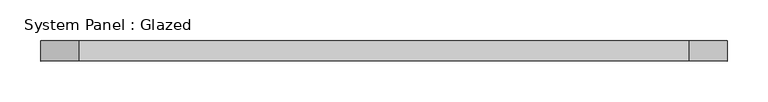
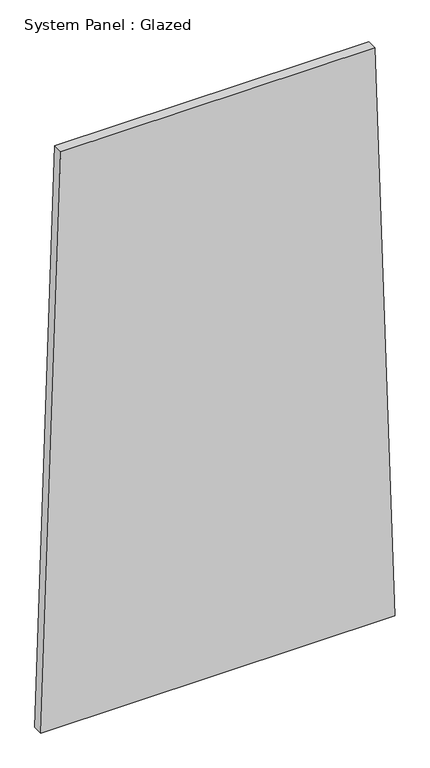
"""IFC4 building model written with IfcOpenShell, lengths in millimetres: plate geometry, System Panel : Glazed."""

from ifc_helpers import new_model, si_unit, frame, origin, place, context, project, spatial, polyline, outline, extrude, source, transform, mapped, element, save


def system_panel_glazed_cc0d89b7(model_context):
    return source(origin(), model_context, "Body", "SweptSolid", [
        extrude(outline(polyline([(0.0, -422.528771), (0.0, 422.528771), (1449.1932477, 374.9876462), (1449.1934297, -374.9835049), (0.0, -422.528771)])), frame((0.0, -49.5, 0.0), z_axis=(0.0, 1.0, 0.0), x_axis=(0.0, 0.0, 1.0)), (0.0, 0.0, 1.0), 25.0),
    ])


if __name__ == "__main__":
    model = new_model("IFC4")
    model_context = context("Model", 3, world=origin())
    ifc_project = project(units=[si_unit("LENGTHUNIT", "METRE", prefix="MILLI")], contexts=[model_context])
    site = spatial("IfcSite", under=ifc_project)
    building = spatial("IfcBuilding", under=site)
    placement = place(None, origin())
    system_panel_glazed_shape = system_panel_glazed_cc0d89b7(model_context)
    element("IfcPlate", 1, ObjectType="System Panel : Glazed", at=placement, inside=building, context=model_context, shape_type="MappedRepresentation", body=[
        mapped(system_panel_glazed_shape, transform((0.0, 0.0, 0.0), x_axis=(1.0, 0.0, 0.0), y_axis=(0.0, 1.0, 0.0), z_axis=(0.0, 0.0, 1.0))),
    ])
    save(model, "model.ifc")
